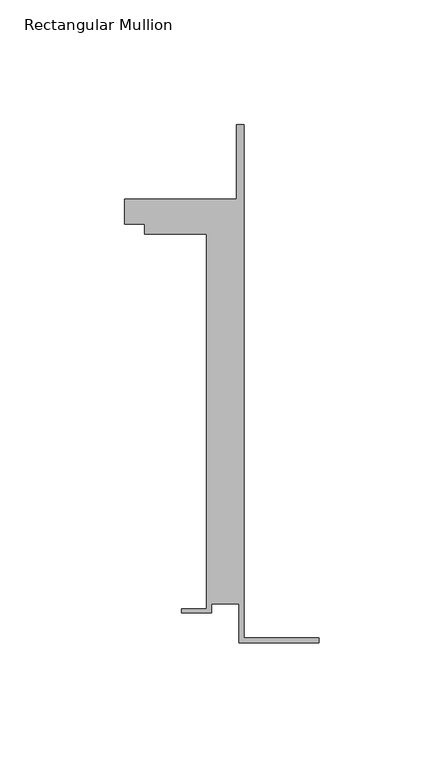
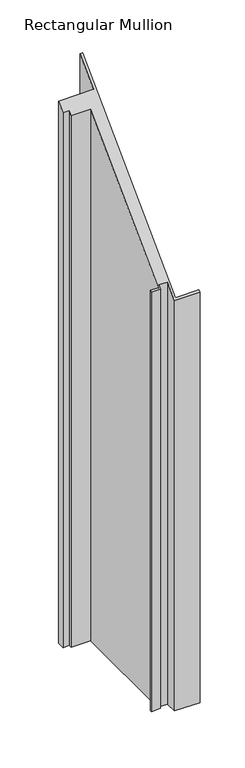
"""IFC4 building model written with IfcOpenShell, lengths in millimetres: member geometry, Rectangular Mullion."""

import ifcopenshell
import ifcopenshell.guid

model = None  # the IFC model being written
_history = None  # IfcOwnerHistory: only IFC2X3 demands one
_inside = {}  # id of a spatial element -> (the spatial element, [elements in it])
_under = {}  # id of a project, library or spatial element -> (it, [spatial elements below it])
_declared = {}  # id of a project -> (the project, [libraries it declares])
_typed = {}  # id of a type object -> (the type object, [elements of that type])
_made_of = {}  # id of a material, layer set ... -> (it, [elements and type objects made of it])


def new_model(schema):
    """Start an empty IFC model of exactly this schema.

    Asked for "IFC4X3", IfcOpenShell would pick the latest addendum, in which some entities
    have other attributes; the version numbers below select the first issue.
    IFC2X3 requires an IfcOwnerHistory on every rooted entity: one is made here for all.
    """
    global model, _history
    if schema == "IFC4X3":
        model = ifcopenshell.file(schema_version=(4, 3, 0, 0))
    else:
        model = ifcopenshell.file(schema=schema)
    _inside.clear()
    _under.clear()
    _declared.clear()
    _typed.clear()
    _made_of.clear()
    _history = None
    if model.schema == "IFC2X3":
        org = make("IfcOrganization", Name="unknown")
        user = make(
            "IfcPersonAndOrganization",
            ThePerson=make("IfcPerson", FamilyName="unknown"),
            TheOrganization=org,
        )
        app = make(
            "IfcApplication",
            ApplicationDeveloper=org,
            Version="unknown",
            ApplicationFullName="unknown",
            ApplicationIdentifier="unknown",
        )
        _history = make(
            "IfcOwnerHistory",
            OwningUser=user,
            OwningApplication=app,
            ChangeAction="ADDED",
            CreationDate=0,
        )
    return model


def make(cls, **values):
    """One entity of the class cls with the attributes given. An attribute that is None is left unset."""
    return model.create_entity(
        cls, **{name: value for name, value in values.items() if value is not None}
    )


def rooted(cls, **values):
    """An entity with a GlobalId (a new one), such as an element, a storey or a relation."""
    return make(cls, GlobalId=ifcopenshell.guid.new(), OwnerHistory=_history, **values)


def si_unit(unit_type, name, prefix=None):
    """IfcSIUnit, for example si_unit("LENGTHUNIT", "METRE", prefix="MILLI")."""
    return make("IfcSIUnit", UnitType=unit_type, Prefix=prefix, Name=name)


def assignment(units):
    """IfcUnitAssignment: the units of a project."""
    return None if units is None else make("IfcUnitAssignment", Units=units)


def point(xyz):
    """IfcCartesianPoint."""
    return None if xyz is None else make("IfcCartesianPoint", Coordinates=xyz)


def direction(xyz):
    """IfcDirection."""
    return None if xyz is None else make("IfcDirection", DirectionRatios=xyz)


def frame(location, z_axis=None, x_axis=None):
    """IfcAxis2Placement3D, a coordinate frame: its origin and axes. An axis left out is left unset."""
    return make(
        "IfcAxis2Placement3D",
        Location=point(location),
        Axis=direction(z_axis),
        RefDirection=direction(x_axis),
    )


def origin():
    """The frame at (0, 0, 0) with its axes left unset."""
    return frame((0.0, 0.0, 0.0))


def place(relative_to, where):
    """IfcLocalPlacement: puts the frame where relative to a parent placement (None: the world)."""
    return make(
        "IfcLocalPlacement", PlacementRelTo=relative_to, RelativePlacement=where
    )


def context(
    kind, dimensions, precision=None, world=None, true_north=None, identifier=None
):
    """IfcGeometricRepresentationContext, for example the 3D "Model" context."""
    return make(
        "IfcGeometricRepresentationContext",
        ContextIdentifier=identifier,
        ContextType=kind,
        CoordinateSpaceDimension=dimensions,
        Precision=precision,
        WorldCoordinateSystem=world,
        TrueNorth=true_north,
    )


def project(units=None, contexts=None):
    """IfcProject with its units and contexts."""
    return rooted(
        "IfcProject",
        Name="project",
        RepresentationContexts=contexts,
        UnitsInContext=assignment(units),
    )


def spatial(cls, under=None, at=None, **own):
    """A site, building, storey or space (cls), placed at a placement, below another one or the project."""
    s = rooted(cls, ObjectPlacement=at, **own)
    if under is not None:
        _under.setdefault(under.id(), (under, []))[1].append(s)
    return s


def faces_of(points, faces, orient=None, outer=None):
    """IfcFace entities. A face is a list of loops; a loop is a list of indices into points, from 0.

    orient and outer hold one flag for each loop. By default every Orientation is true, the
    first loop of a face is its IfcFaceOuterBound and the others are IfcFaceBound.
    """
    made = []
    for i, loops in enumerate(faces):
        bounds = []
        for j, loop in enumerate(loops):
            is_outer = j == 0 if outer is None else outer[i][j]
            bounds.append(
                make(
                    "IfcFaceOuterBound" if is_outer else "IfcFaceBound",
                    Bound=make("IfcPolyLoop", Polygon=[points[k] for k in loop]),
                    Orientation=True if orient is None else orient[i][j],
                )
            )
        made.append(make("IfcFace", Bounds=bounds))
    return made


def faceted_brep(points, faces, orient=None, outer=None, voids=None):
    """IfcFacetedBrep: a solid bounded by flat faces; with voids (closed shells), ...WithVoids."""
    shared = [point(p) for p in points]
    hull = make("IfcClosedShell", CfsFaces=faces_of(shared, faces, orient, outer))
    if voids is None:
        return make("IfcFacetedBrep", Outer=hull)
    return make(
        "IfcFacetedBrepWithVoids",
        Outer=hull,
        Voids=[
            make(cls, CfsFaces=faces_of(shared, fs, o, b)) for cls, fs, o, b in voids
        ],
    )


def shape(context_of_items, identifier, shape_type, items):
    """IfcShapeRepresentation: the items that make up one representation, for example the "Body"."""
    return make(
        "IfcShapeRepresentation",
        ContextOfItems=context_of_items,
        RepresentationIdentifier=identifier,
        RepresentationType=shape_type,
        Items=items,
    )


def source(mapping_origin, context_of_items, identifier, shape_type, items):
    """IfcRepresentationMap: a shape defined once, which mapped items show again and again."""
    return make(
        "IfcRepresentationMap",
        MappingOrigin=mapping_origin,
        MappedRepresentation=shape(context_of_items, identifier, shape_type, items),
    )


def transform(
    local_origin,
    x_axis=None,
    y_axis=None,
    z_axis=None,
    scale=None,
    scale2=None,
    scale3=None,
    uniform=True,
):
    """IfcCartesianTransformationOperator3D, or its non-uniform kind. x_axis, y_axis, z_axis: its Axis1, 2, 3."""
    if uniform:
        return make(
            "IfcCartesianTransformationOperator3D",
            Axis1=direction(x_axis),
            Axis2=direction(y_axis),
            LocalOrigin=point(local_origin),
            Scale=scale,
            Axis3=direction(z_axis),
        )
    return make(
        "IfcCartesianTransformationOperator3DnonUniform",
        Axis1=direction(x_axis),
        Axis2=direction(y_axis),
        LocalOrigin=point(local_origin),
        Scale=scale,
        Axis3=direction(z_axis),
        Scale2=scale2,
        Scale3=scale3,
    )


def mapped(mapping_source, mapping_target):
    """IfcMappedItem: shows the shape of a source again, moved by a transform."""
    return make(
        "IfcMappedItem", MappingSource=mapping_source, MappingTarget=mapping_target
    )


def made_of(thing, what):
    """Note that an element or type object is made of a material, layer set ...; save() writes the relation."""
    if what is not None:
        _made_of.setdefault(what.id(), (what, []))[1].append(thing)
    return thing


def element(
    cls,
    number,
    at=None,
    inside=None,
    cuts=None,
    type_object=None,
    material=None,
    context=None,
    identifier="Body",
    shape_type=None,
    held_by="IfcProductDefinitionShape",
    body=None,
    shapes=None,
    **own,
):
    """One element of the class cls, such as IfcWall. Its Tag is "e" and its number.

    at: its placement. inside: the storey or other place that contains it. cuts: it is an
    opening in that element (IfcRelVoidsElement). A single representation is given by context,
    identifier, shape_type and body (its items); several are given by shapes. held_by: the class
    of the entity that holds the representations. save() writes the other relations.
    """
    e = rooted(cls, Tag="e%d" % number, ObjectPlacement=at, **own)
    if body is not None:
        shapes = [shape(context, identifier, shape_type, body)]
    if shapes is not None:
        e.Representation = make(held_by, Representations=shapes)
    if inside is not None:
        _inside.setdefault(inside.id(), (inside, []))[1].append(e)
    if cuts is not None:
        rooted(
            "IfcRelVoidsElement", RelatingBuildingElement=cuts, RelatedOpeningElement=e
        )
    if type_object is not None:
        _typed.setdefault(type_object.id(), (type_object, []))[1].append(e)
    return made_of(e, material)


def aggregate(whole, parts):
    """IfcRelAggregates: a whole, such as a stair, and the parts it consists of."""
    return rooted("IfcRelAggregates", RelatingObject=whole, RelatedObjects=parts)


def save(model, path):
    """Write the relations noted so far, then the file.

    IfcRelAggregates (storeys below a building ...), IfcRelContainedInSpatialStructure (elements
    in a storey), IfcRelDefinesByType, IfcRelAssociatesMaterial and IfcRelDeclares: one each for
    every whole, place, type object, material and project.
    """
    for whole, parts in _under.values():
        aggregate(whole, parts)
    for where, things in _inside.values():
        rooted(
            "IfcRelContainedInSpatialStructure",
            RelatedElements=things,
            RelatingStructure=where,
        )
    for kind, things in _typed.values():
        rooted("IfcRelDefinesByType", RelatedObjects=things, RelatingType=kind)
    for what, things in _made_of.values():
        rooted("IfcRelAssociatesMaterial", RelatedObjects=things, RelatingMaterial=what)
    for by, libraries in _declared.values():
        rooted("IfcRelDeclares", RelatingContext=by, RelatedDefinitions=libraries)
    model.write(path)


def rectangular_mullion_a78ab1a0(model_context):
    return source(origin(), model_context, "Body", "Brep", [
        faceted_brep([(-32.1465839, -41.25, -596.2474591), (-32.1465839, -25.75, -596.2474591), (-43.1465839, -25.75, -596.2474591), (-43.1465839, -29.25, -596.2474591), (-55.1465839, -29.25, -596.2474591), (-55.1465839, -27.75, -596.2474591), (-45.1465839, -27.75, -596.2474591), (-45.1465839, 122.75, -596.2474591), (-70.1466122, 122.75, -596.2474591), (-70.1466122, 126.75, -596.2474591), (-78.1466122, 126.75, -596.2474591), (-78.1466122, 136.75, -596.2474591), (-33.1466122, 136.75, -596.2474591), (-33.1466122, 166.75, -596.2474591), (-30.1465839, 166.75, -596.2474591), (-30.1465839, -39.25, -596.2474591), (0.0, -39.25, -596.2474591), (0.0, -41.25, -596.2474591), (0.0, -41.25, -41.25), (-32.1465839, -41.25, -41.25), (0.0, -39.25, -39.25), (-30.1465839, -39.25, -39.25), (-30.1465839, 166.75, 166.75), (-33.1466122, 166.75, 166.75), (-33.1466122, 136.75, 136.75), (-78.1466122, 136.75, 136.75), (-78.1466122, 126.75, 126.75), (-70.1466122, 126.75, 126.75), (-70.1466122, 122.75, 122.75), (-45.1465839, 122.75, 122.75), (-45.1465839, -27.75, -27.75), (-55.1465839, -27.75, -27.75), (-55.1465839, -29.25, -29.25), (-43.1465839, -29.25, -29.25), (-43.1465839, -25.75, -25.75), (-32.1465839, -25.75, -25.75)], [[[0, 1, 2, 3, 4, 5, 6, 7, 8, 9, 10, 11, 12, 13, 14, 15, 16, 17]], [[18, 19, 0, 17]], [[20, 18, 17, 16]], [[21, 20, 16, 15]], [[22, 21, 15, 14]], [[23, 22, 14, 13]], [[24, 23, 13, 12]], [[25, 24, 12, 11]], [[26, 25, 11, 10]], [[27, 26, 10, 9]], [[28, 27, 9, 8]], [[29, 28, 8, 7]], [[30, 29, 7, 6]], [[31, 30, 6, 5]], [[32, 31, 5, 4]], [[33, 32, 4, 3]], [[34, 33, 3, 2]], [[35, 34, 2, 1]], [[19, 35, 1, 0]], [[19, 18, 20, 21, 22, 23, 24, 25, 26, 27, 28, 29, 30, 31, 32, 33, 34, 35]]]),
    ])


if __name__ == "__main__":
    model = new_model("IFC4")
    model_context = context("Model", 3, world=origin())
    ifc_project = project(units=[si_unit("LENGTHUNIT", "METRE", prefix="MILLI")], contexts=[model_context])
    site = spatial("IfcSite", under=ifc_project)
    building = spatial("IfcBuilding", under=site)
    placement = place(None, origin())
    rectangular_mullion_shape = rectangular_mullion_a78ab1a0(model_context)
    element("IfcMember", 1, ObjectType="Rectangular Mullion", at=placement, inside=building, context=model_context, shape_type="MappedRepresentation", body=[
        mapped(rectangular_mullion_shape, transform((0.0, 0.0, 0.0), x_axis=(1.0, 0.0, 0.0), y_axis=(0.0, 1.0, 0.0), z_axis=(0.0, 0.0, 1.0))),
    ])
    save(model, "model.ifc")
